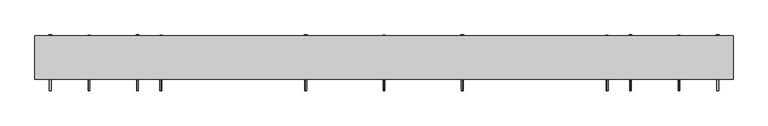
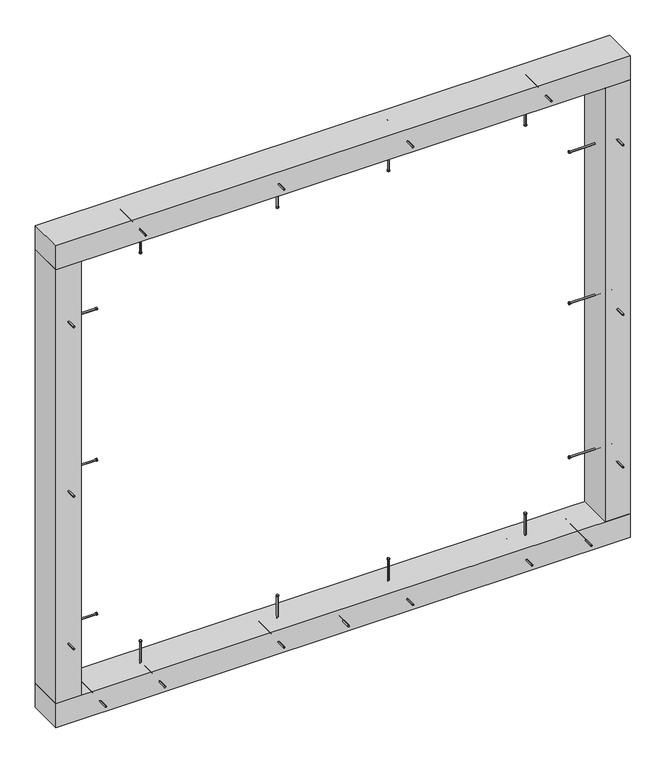
"""IFC4 building model written with IfcOpenShell, lengths in millimetres: proxy geometry."""

from ifc_helpers import new_model, si_unit, point, frame, frame_2d, origin, origin_with_axes, place, context, project, spatial, polyline, circle_curve, trimmed, segment, composite_curve, outline, extrude, source, transform, mapped, element, save


def generic_models_890f9c72(model_context):
    return source(origin(), model_context, "Body", "SweptSolid", [
        extrude(outline(composite_curve([segment(trimmed(circle_curve(frame_2d((-525.0, 200.0)), 2.4700592), [point((-525.0, 197.5299408))], [point((-525.0, 202.4700592))], False, "CARTESIAN"), True, "CONTINUOUS"), segment(trimmed(circle_curve(frame_2d((-525.0, 200.0)), 2.4700592), [point((-525.0, 202.4700592))], [point((-525.0, 197.5299408))], False, "CARTESIAN"), True, "CONTINUOUS")], self_intersect=False)), frame((0.0, 0.0, 1550.0), z_axis=(0.0, 0.0, 1.0), x_axis=(1.0, 0.0, 0.0)), (0.0, 0.0, 1.0), 145.0),
        extrude(outline(composite_curve([segment(trimmed(circle_curve(frame_2d((-525.0, 200.0)), 3.8), [point((-525.0, 196.2))], [point((-525.0, 203.8))], False, "CARTESIAN"), True, "CONTINUOUS"), segment(trimmed(circle_curve(frame_2d((-525.0, 200.0)), 3.8), [point((-525.0, 203.8))], [point((-525.0, 196.2))], False, "CARTESIAN"), True, "CONTINUOUS")], self_intersect=False)), frame((0.0, 0.0, 1547.0), z_axis=(0.0, 0.0, 1.0), x_axis=(1.0, 0.0, 0.0)), (0.0, 0.0, 1.0), 3.0),
        extrude(outline(composite_curve([segment(trimmed(circle_curve(frame_2d((775.0, 200.0)), 2.4700592), [point((775.0, 197.5299408))], [point((775.0, 202.4700592))], False, "CARTESIAN"), True, "CONTINUOUS"), segment(trimmed(circle_curve(frame_2d((775.0, 200.0)), 2.4700592), [point((775.0, 202.4700592))], [point((775.0, 197.5299408))], False, "CARTESIAN"), True, "CONTINUOUS")], self_intersect=False)), frame((0.0, 0.0, 1550.0), z_axis=(0.0, 0.0, 1.0), x_axis=(1.0, 0.0, 0.0)), (0.0, 0.0, 1.0), 145.0),
        extrude(outline(composite_curve([segment(trimmed(circle_curve(frame_2d((775.0, 200.0)), 3.8), [point((775.0, 196.2))], [point((775.0, 203.8))], False, "CARTESIAN"), True, "CONTINUOUS"), segment(trimmed(circle_curve(frame_2d((775.0, 200.0)), 3.8), [point((775.0, 203.8))], [point((775.0, 196.2))], False, "CARTESIAN"), True, "CONTINUOUS")], self_intersect=False)), frame((0.0, 0.0, 1547.0), z_axis=(0.0, 0.0, 1.0), x_axis=(1.0, 0.0, 0.0)), (0.0, 0.0, 1.0), 3.0),
        extrude(outline(composite_curve([segment(trimmed(circle_curve(frame_2d((1677.5, 342.5)), 2.4700592), [point((1679.9700592, 342.5))], [point((1675.0299408, 342.5))], False, "CARTESIAN"), True, "CONTINUOUS"), segment(trimmed(circle_curve(frame_2d((1677.5, 342.5)), 2.4700592), [point((1675.0299408, 342.5))], [point((1679.9700592, 342.5))], False, "CARTESIAN"), True, "CONTINUOUS")], self_intersect=False)), frame((0.0, 108.0, 0.0), z_axis=(0.0, 1.0, 0.0), x_axis=(0.0, 0.0, 1.0)), (0.0, 0.0, 1.0), 152.0),
        extrude(outline(composite_curve([segment(trimmed(circle_curve(frame_2d((1677.5, 342.5)), 3.8), [point((1681.3, 342.5))], [point((1673.7, 342.5))], False, "CARTESIAN"), True, "CONTINUOUS"), segment(trimmed(circle_curve(frame_2d((1677.5, 342.5)), 3.8), [point((1673.7, 342.5))], [point((1681.3, 342.5))], False, "CARTESIAN"), True, "CONTINUOUS")], self_intersect=False)), frame((0.0, 260.0, 0.0), z_axis=(0.0, 1.0, 0.0), x_axis=(0.0, 0.0, 1.0)), (0.0, 0.0, 1.0), 3.0),
        extrude(outline(composite_curve([segment(trimmed(circle_curve(frame_2d((312.5, 200.0)), 2.4700592), [point((312.5, 197.5299408))], [point((312.5, 202.4700592))], False, "CARTESIAN"), True, "CONTINUOUS"), segment(trimmed(circle_curve(frame_2d((312.5, 200.0)), 2.4700592), [point((312.5, 202.4700592))], [point((312.5, 197.5299408))], False, "CARTESIAN"), True, "CONTINUOUS")], self_intersect=False)), frame((0.0, 0.0, 1550.0), z_axis=(0.0, 0.0, 1.0), x_axis=(1.0, 0.0, 0.0)), (0.0, 0.0, 1.0), 145.0),
        extrude(outline(composite_curve([segment(trimmed(circle_curve(frame_2d((312.5, 200.0)), 3.8), [point((312.5, 196.2))], [point((312.5, 203.8))], False, "CARTESIAN"), True, "CONTINUOUS"), segment(trimmed(circle_curve(frame_2d((312.5, 200.0)), 3.8), [point((312.5, 203.8))], [point((312.5, 196.2))], False, "CARTESIAN"), True, "CONTINUOUS")], self_intersect=False)), frame((0.0, 0.0, 1547.0), z_axis=(0.0, 0.0, 1.0), x_axis=(1.0, 0.0, 0.0)), (0.0, 0.0, 1.0), 3.0),
        extrude(outline(composite_curve([segment(trimmed(circle_curve(frame_2d((1677.5, -92.5)), 2.4700592), [point((1679.9700592, -92.5))], [point((1675.0299408, -92.5))], False, "CARTESIAN"), True, "CONTINUOUS"), segment(trimmed(circle_curve(frame_2d((1677.5, -92.5)), 2.4700592), [point((1675.0299408, -92.5))], [point((1679.9700592, -92.5))], False, "CARTESIAN"), True, "CONTINUOUS")], self_intersect=False)), frame((0.0, 108.0, 0.0), z_axis=(0.0, 1.0, 0.0), x_axis=(0.0, 0.0, 1.0)), (0.0, 0.0, 1.0), 152.0),
        extrude(outline(composite_curve([segment(trimmed(circle_curve(frame_2d((1677.5, -92.5)), 3.8), [point((1681.3, -92.5))], [point((1673.7, -92.5))], False, "CARTESIAN"), True, "CONTINUOUS"), segment(trimmed(circle_curve(frame_2d((1677.5, -92.5)), 3.8), [point((1673.7, -92.5))], [point((1681.3, -92.5))], False, "CARTESIAN"), True, "CONTINUOUS")], self_intersect=False)), frame((0.0, 260.0, 0.0), z_axis=(0.0, 1.0, 0.0), x_axis=(0.0, 0.0, 1.0)), (0.0, 0.0, 1.0), 3.0),
        extrude(outline(composite_curve([segment(trimmed(circle_curve(frame_2d((-62.5, 200.0)), 2.4700592), [point((-62.5, 197.5299408))], [point((-62.5, 202.4700592))], False, "CARTESIAN"), True, "CONTINUOUS"), segment(trimmed(circle_curve(frame_2d((-62.5, 200.0)), 2.4700592), [point((-62.5, 202.4700592))], [point((-62.5, 197.5299408))], False, "CARTESIAN"), True, "CONTINUOUS")], self_intersect=False)), frame((0.0, 0.0, 1550.0), z_axis=(0.0, 0.0, 1.0), x_axis=(1.0, 0.0, 0.0)), (0.0, 0.0, 1.0), 145.0),
        extrude(outline(composite_curve([segment(trimmed(circle_curve(frame_2d((-62.5, 200.0)), 3.8), [point((-62.5, 196.2))], [point((-62.5, 203.8))], False, "CARTESIAN"), True, "CONTINUOUS"), segment(trimmed(circle_curve(frame_2d((-62.5, 200.0)), 3.8), [point((-62.5, 203.8))], [point((-62.5, 196.2))], False, "CARTESIAN"), True, "CONTINUOUS")], self_intersect=False)), frame((0.0, 0.0, 1547.0), z_axis=(0.0, 0.0, 1.0), x_axis=(1.0, 0.0, 0.0)), (0.0, 0.0, 1.0), 3.0),
        extrude(outline(composite_curve([segment(trimmed(circle_curve(frame_2d((1677.5, -560.0)), 2.4700592), [point((1679.9700592, -560.0))], [point((1675.0299408, -560.0))], False, "CARTESIAN"), True, "CONTINUOUS"), segment(trimmed(circle_curve(frame_2d((1677.5, -560.0)), 2.4700592), [point((1675.0299408, -560.0))], [point((1679.9700592, -560.0))], False, "CARTESIAN"), True, "CONTINUOUS")], self_intersect=False)), frame((0.0, 108.0, 0.0), z_axis=(0.0, 1.0, 0.0), x_axis=(0.0, 0.0, 1.0)), (0.0, 0.0, 1.0), 152.0),
        extrude(outline(composite_curve([segment(trimmed(circle_curve(frame_2d((1677.5, -560.0)), 3.8), [point((1681.3, -560.0))], [point((1673.7, -560.0))], False, "CARTESIAN"), True, "CONTINUOUS"), segment(trimmed(circle_curve(frame_2d((1677.5, -560.0)), 3.8), [point((1673.7, -560.0))], [point((1681.3, -560.0))], False, "CARTESIAN"), True, "CONTINUOUS")], self_intersect=False)), frame((0.0, 260.0, 0.0), z_axis=(0.0, 1.0, 0.0), x_axis=(0.0, 0.0, 1.0)), (0.0, 0.0, 1.0), 3.0),
        extrude(outline(composite_curve([segment(trimmed(circle_curve(frame_2d((1677.5, 810.0)), 2.4700592), [point((1679.9700592, 810.0))], [point((1675.0299408, 810.0))], False, "CARTESIAN"), True, "CONTINUOUS"), segment(trimmed(circle_curve(frame_2d((1677.5, 810.0)), 2.4700592), [point((1675.0299408, 810.0))], [point((1679.9700592, 810.0))], False, "CARTESIAN"), True, "CONTINUOUS")], self_intersect=False)), frame((0.0, 108.0, 0.0), z_axis=(0.0, 1.0, 0.0), x_axis=(0.0, 0.0, 1.0)), (0.0, 0.0, 1.0), 152.0),
        extrude(outline(composite_curve([segment(trimmed(circle_curve(frame_2d((1677.5, 810.0)), 3.8), [point((1681.3, 810.0))], [point((1673.7, 810.0))], False, "CARTESIAN"), True, "CONTINUOUS"), segment(trimmed(circle_curve(frame_2d((1677.5, 810.0)), 3.8), [point((1673.7, 810.0))], [point((1681.3, 810.0))], False, "CARTESIAN"), True, "CONTINUOUS")], self_intersect=False)), frame((0.0, 260.0, 0.0), z_axis=(0.0, 1.0, 0.0), x_axis=(0.0, 0.0, 1.0)), (0.0, 0.0, 1.0), 3.0),
        extrude(outline(polyline([(1095.0, 140.0), (-845.0, 140.0), (-845.0, 260.0), (1095.0, 260.0), (1095.0, 140.0)])), frame((0.0, 0.0, 1635.0), z_axis=(0.0, 0.0, 1.0), x_axis=(1.0, 0.0, 0.0)), (0.0, 0.0, 1.0), 85.0),
        extrude(outline(composite_curve([segment(trimmed(circle_curve(frame_2d((42.5, -495.0)), 2.4700592), [point((44.9700592, -495.0))], [point((40.0299408, -495.0))], False, "CARTESIAN"), True, "CONTINUOUS"), segment(trimmed(circle_curve(frame_2d((42.5, -495.0)), 2.4700592), [point((40.0299408, -495.0))], [point((44.9700592, -495.0))], False, "CARTESIAN"), True, "CONTINUOUS")], self_intersect=False)), frame((0.0, 108.0, 0.0), z_axis=(0.0, 1.0, 0.0), x_axis=(0.0, 0.0, 1.0)), (0.0, 0.0, 1.0), 152.0),
        extrude(outline(composite_curve([segment(trimmed(circle_curve(frame_2d((42.5, -495.0)), 3.8), [point((46.3, -495.0))], [point((38.7, -495.0))], False, "CARTESIAN"), True, "CONTINUOUS"), segment(trimmed(circle_curve(frame_2d((42.5, -495.0)), 3.8), [point((38.7, -495.0))], [point((46.3, -495.0))], False, "CARTESIAN"), True, "CONTINUOUS")], self_intersect=False)), frame((0.0, 260.0, 0.0), z_axis=(0.0, 1.0, 0.0), x_axis=(0.0, 0.0, 1.0)), (0.0, 0.0, 1.0), 3.0),
        extrude(outline(composite_curve([segment(trimmed(circle_curve(frame_2d((-525.0, 200.0)), 2.4700592), [point((-525.0, 197.5299408))], [point((-525.0, 202.4700592))], False, "CARTESIAN"), True, "CONTINUOUS"), segment(trimmed(circle_curve(frame_2d((-525.0, 200.0)), 2.4700592), [point((-525.0, 202.4700592))], [point((-525.0, 197.5299408))], False, "CARTESIAN"), True, "CONTINUOUS")], self_intersect=False)), frame((0.0, 0.0, 25.0), z_axis=(0.0, 0.0, 1.0), x_axis=(1.0, 0.0, 0.0)), (0.0, 0.0, 1.0), 135.0),
        extrude(outline(composite_curve([segment(trimmed(circle_curve(frame_2d((-525.0, 200.0)), 3.8), [point((-525.0, 196.2))], [point((-525.0, 203.8))], False, "CARTESIAN"), True, "CONTINUOUS"), segment(trimmed(circle_curve(frame_2d((-525.0, 200.0)), 3.8), [point((-525.0, 203.8))], [point((-525.0, 196.2))], False, "CARTESIAN"), True, "CONTINUOUS")], self_intersect=False)), frame((0.0, 0.0, 160.0), z_axis=(0.0, 0.0, 1.0), x_axis=(1.0, 0.0, 0.0)), (0.0, 0.0, 1.0), 3.0),
        extrude(outline(composite_curve([segment(trimmed(circle_curve(frame_2d((42.5, -92.5)), 2.4700592), [point((44.9700592, -92.5))], [point((40.0299408, -92.5))], False, "CARTESIAN"), True, "CONTINUOUS"), segment(trimmed(circle_curve(frame_2d((42.5, -92.5)), 2.4700592), [point((40.0299408, -92.5))], [point((44.9700592, -92.5))], False, "CARTESIAN"), True, "CONTINUOUS")], self_intersect=False)), frame((0.0, 108.0, 0.0), z_axis=(0.0, 1.0, 0.0), x_axis=(0.0, 0.0, 1.0)), (0.0, 0.0, 1.0), 152.0),
        extrude(outline(composite_curve([segment(trimmed(circle_curve(frame_2d((42.5, -92.5)), 3.8), [point((46.3, -92.5))], [point((38.7, -92.5))], False, "CARTESIAN"), True, "CONTINUOUS"), segment(trimmed(circle_curve(frame_2d((42.5, -92.5)), 3.8), [point((38.7, -92.5))], [point((46.3, -92.5))], False, "CARTESIAN"), True, "CONTINUOUS")], self_intersect=False)), frame((0.0, 260.0, 0.0), z_axis=(0.0, 1.0, 0.0), x_axis=(0.0, 0.0, 1.0)), (0.0, 0.0, 1.0), 3.0),
        extrude(outline(composite_curve([segment(trimmed(circle_curve(frame_2d((-62.5, 200.0)), 2.4700592), [point((-62.5, 197.5299408))], [point((-62.5, 202.4700592))], False, "CARTESIAN"), True, "CONTINUOUS"), segment(trimmed(circle_curve(frame_2d((-62.5, 200.0)), 2.4700592), [point((-62.5, 202.4700592))], [point((-62.5, 197.5299408))], False, "CARTESIAN"), True, "CONTINUOUS")], self_intersect=False)), frame((0.0, 0.0, 25.0), z_axis=(0.0, 0.0, 1.0), x_axis=(1.0, 0.0, 0.0)), (0.0, 0.0, 1.0), 135.0),
        extrude(outline(composite_curve([segment(trimmed(circle_curve(frame_2d((-62.5, 200.0)), 3.8), [point((-62.5, 196.2))], [point((-62.5, 203.8))], False, "CARTESIAN"), True, "CONTINUOUS"), segment(trimmed(circle_curve(frame_2d((-62.5, 200.0)), 3.8), [point((-62.5, 203.8))], [point((-62.5, 196.2))], False, "CARTESIAN"), True, "CONTINUOUS")], self_intersect=False)), frame((0.0, 0.0, 160.0), z_axis=(0.0, 0.0, 1.0), x_axis=(1.0, 0.0, 0.0)), (0.0, 0.0, 1.0), 3.0),
        extrude(outline(composite_curve([segment(trimmed(circle_curve(frame_2d((42.5, 745.0)), 2.4700592), [point((44.9700592, 745.0))], [point((40.0299408, 745.0))], False, "CARTESIAN"), True, "CONTINUOUS"), segment(trimmed(circle_curve(frame_2d((42.5, 745.0)), 2.4700592), [point((40.0299408, 745.0))], [point((44.9700592, 745.0))], False, "CARTESIAN"), True, "CONTINUOUS")], self_intersect=False)), frame((0.0, 108.0, 0.0), z_axis=(0.0, 1.0, 0.0), x_axis=(0.0, 0.0, 1.0)), (0.0, 0.0, 1.0), 152.0),
        extrude(outline(composite_curve([segment(trimmed(circle_curve(frame_2d((42.5, 745.0)), 3.8), [point((46.3, 745.0))], [point((38.7, 745.0))], False, "CARTESIAN"), True, "CONTINUOUS"), segment(trimmed(circle_curve(frame_2d((42.5, 745.0)), 3.8), [point((38.7, 745.0))], [point((46.3, 745.0))], False, "CARTESIAN"), True, "CONTINUOUS")], self_intersect=False)), frame((0.0, 260.0, 0.0), z_axis=(0.0, 1.0, 0.0), x_axis=(0.0, 0.0, 1.0)), (0.0, 0.0, 1.0), 3.0),
        extrude(outline(composite_curve([segment(trimmed(circle_curve(frame_2d((775.0, 200.0)), 2.4700592), [point((775.0, 197.5299408))], [point((775.0, 202.4700592))], False, "CARTESIAN"), True, "CONTINUOUS"), segment(trimmed(circle_curve(frame_2d((775.0, 200.0)), 2.4700592), [point((775.0, 202.4700592))], [point((775.0, 197.5299408))], False, "CARTESIAN"), True, "CONTINUOUS")], self_intersect=False)), frame((0.0, 0.0, 25.0), z_axis=(0.0, 0.0, 1.0), x_axis=(1.0, 0.0, 0.0)), (0.0, 0.0, 1.0), 135.0),
        extrude(outline(composite_curve([segment(trimmed(circle_curve(frame_2d((775.0, 200.0)), 3.8), [point((775.0, 196.2))], [point((775.0, 203.8))], False, "CARTESIAN"), True, "CONTINUOUS"), segment(trimmed(circle_curve(frame_2d((775.0, 200.0)), 3.8), [point((775.0, 203.8))], [point((775.0, 196.2))], False, "CARTESIAN"), True, "CONTINUOUS")], self_intersect=False)), frame((0.0, 0.0, 160.0), z_axis=(0.0, 0.0, 1.0), x_axis=(1.0, 0.0, 0.0)), (0.0, 0.0, 1.0), 3.0),
        extrude(outline(composite_curve([segment(trimmed(circle_curve(frame_2d((42.5, 342.5)), 2.4700592), [point((44.9700592, 342.5))], [point((40.0299408, 342.5))], False, "CARTESIAN"), True, "CONTINUOUS"), segment(trimmed(circle_curve(frame_2d((42.5, 342.5)), 2.4700592), [point((40.0299408, 342.5))], [point((44.9700592, 342.5))], False, "CARTESIAN"), True, "CONTINUOUS")], self_intersect=False)), frame((0.0, 108.0, 0.0), z_axis=(0.0, 1.0, 0.0), x_axis=(0.0, 0.0, 1.0)), (0.0, 0.0, 1.0), 152.0),
        extrude(outline(composite_curve([segment(trimmed(circle_curve(frame_2d((42.5, 342.5)), 3.8), [point((46.3, 342.5))], [point((38.7, 342.5))], False, "CARTESIAN"), True, "CONTINUOUS"), segment(trimmed(circle_curve(frame_2d((42.5, 342.5)), 3.8), [point((38.7, 342.5))], [point((46.3, 342.5))], False, "CARTESIAN"), True, "CONTINUOUS")], self_intersect=False)), frame((0.0, 260.0, 0.0), z_axis=(0.0, 1.0, 0.0), x_axis=(0.0, 0.0, 1.0)), (0.0, 0.0, 1.0), 3.0),
        extrude(outline(composite_curve([segment(trimmed(circle_curve(frame_2d((312.5, 200.0)), 2.4700592), [point((312.5, 197.5299408))], [point((312.5, 202.4700592))], False, "CARTESIAN"), True, "CONTINUOUS"), segment(trimmed(circle_curve(frame_2d((312.5, 200.0)), 2.4700592), [point((312.5, 202.4700592))], [point((312.5, 197.5299408))], False, "CARTESIAN"), True, "CONTINUOUS")], self_intersect=False)), frame((0.0, 0.0, 25.0), z_axis=(0.0, 0.0, 1.0), x_axis=(1.0, 0.0, 0.0)), (0.0, 0.0, 1.0), 135.0),
        extrude(outline(composite_curve([segment(trimmed(circle_curve(frame_2d((312.5, 200.0)), 3.8), [point((312.5, 196.2))], [point((312.5, 203.8))], False, "CARTESIAN"), True, "CONTINUOUS"), segment(trimmed(circle_curve(frame_2d((312.5, 200.0)), 3.8), [point((312.5, 203.8))], [point((312.5, 196.2))], False, "CARTESIAN"), True, "CONTINUOUS")], self_intersect=False)), frame((0.0, 0.0, 160.0), z_axis=(0.0, 0.0, 1.0), x_axis=(1.0, 0.0, 0.0)), (0.0, 0.0, 1.0), 3.0),
        extrude(outline(composite_curve([segment(trimmed(circle_curve(frame_2d((42.5, 125.0)), 2.4700592), [point((44.9700592, 125.0))], [point((40.0299408, 125.0))], False, "CARTESIAN"), True, "CONTINUOUS"), segment(trimmed(circle_curve(frame_2d((42.5, 125.0)), 2.4700592), [point((40.0299408, 125.0))], [point((44.9700592, 125.0))], False, "CARTESIAN"), True, "CONTINUOUS")], self_intersect=False)), frame((0.0, 108.0, 0.0), z_axis=(0.0, 1.0, 0.0), x_axis=(0.0, 0.0, 1.0)), (0.0, 0.0, 1.0), 152.0),
        extrude(outline(composite_curve([segment(trimmed(circle_curve(frame_2d((42.5, 125.0)), 3.8), [point((46.3, 125.0))], [point((38.7, 125.0))], False, "CARTESIAN"), True, "CONTINUOUS"), segment(trimmed(circle_curve(frame_2d((42.5, 125.0)), 3.8), [point((38.7, 125.0))], [point((46.3, 125.0))], False, "CARTESIAN"), True, "CONTINUOUS")], self_intersect=False)), frame((0.0, 260.0, 0.0), z_axis=(0.0, 1.0, 0.0), x_axis=(0.0, 0.0, 1.0)), (0.0, 0.0, 1.0), 3.0),
        extrude(outline(composite_curve([segment(trimmed(circle_curve(frame_2d((42.5, -695.0)), 2.4700592), [point((44.9700592, -695.0))], [point((40.0299408, -695.0))], False, "CARTESIAN"), True, "CONTINUOUS"), segment(trimmed(circle_curve(frame_2d((42.5, -695.0)), 2.4700592), [point((40.0299408, -695.0))], [point((44.9700592, -695.0))], False, "CARTESIAN"), True, "CONTINUOUS")], self_intersect=False)), frame((0.0, 108.0, 0.0), z_axis=(0.0, 1.0, 0.0), x_axis=(0.0, 0.0, 1.0)), (0.0, 0.0, 1.0), 152.0),
        extrude(outline(composite_curve([segment(trimmed(circle_curve(frame_2d((42.5, -695.0)), 3.8), [point((46.3, -695.0))], [point((38.7, -695.0))], False, "CARTESIAN"), True, "CONTINUOUS"), segment(trimmed(circle_curve(frame_2d((42.5, -695.0)), 3.8), [point((38.7, -695.0))], [point((46.3, -695.0))], False, "CARTESIAN"), True, "CONTINUOUS")], self_intersect=False)), frame((0.0, 260.0, 0.0), z_axis=(0.0, 1.0, 0.0), x_axis=(0.0, 0.0, 1.0)), (0.0, 0.0, 1.0), 3.0),
        extrude(outline(composite_curve([segment(trimmed(circle_curve(frame_2d((42.5, 945.0)), 2.4700592), [point((44.9700592, 945.0))], [point((40.0299408, 945.0))], False, "CARTESIAN"), True, "CONTINUOUS"), segment(trimmed(circle_curve(frame_2d((42.5, 945.0)), 2.4700592), [point((40.0299408, 945.0))], [point((44.9700592, 945.0))], False, "CARTESIAN"), True, "CONTINUOUS")], self_intersect=False)), frame((0.0, 108.0, 0.0), z_axis=(0.0, 1.0, 0.0), x_axis=(0.0, 0.0, 1.0)), (0.0, 0.0, 1.0), 152.0),
        extrude(outline(composite_curve([segment(trimmed(circle_curve(frame_2d((42.5, 945.0)), 3.8), [point((46.3, 945.0))], [point((38.7, 945.0))], False, "CARTESIAN"), True, "CONTINUOUS"), segment(trimmed(circle_curve(frame_2d((42.5, 945.0)), 3.8), [point((38.7, 945.0))], [point((46.3, 945.0))], False, "CARTESIAN"), True, "CONTINUOUS")], self_intersect=False)), frame((0.0, 260.0, 0.0), z_axis=(0.0, 1.0, 0.0), x_axis=(0.0, 0.0, 1.0)), (0.0, 0.0, 1.0), 3.0),
        extrude(outline(polyline([(1095.0, 140.0), (-845.0, 140.0), (-845.0, 260.0), (1095.0, 260.0), (1095.0, 140.0)])), origin_with_axes(), (0.0, 0.0, 1.0), 85.0),
        extrude(outline(composite_curve([segment(trimmed(circle_curve(frame_2d((200.0, 310.0)), 2.4700592), [point((197.5299408, 310.0))], [point((202.4700592, 310.0))], False, "CARTESIAN"), True, "CONTINUOUS"), segment(trimmed(circle_curve(frame_2d((200.0, 310.0)), 2.4700592), [point((202.4700592, 310.0))], [point((197.5299408, 310.0))], False, "CARTESIAN"), True, "CONTINUOUS")], self_intersect=False)), frame((-820.0, 0.0, 0.0), z_axis=(1.0, 0.0, 0.0), x_axis=(0.0, 1.0, 0.0)), (0.0, 0.0, 1.0), 145.0),
        extrude(outline(composite_curve([segment(trimmed(circle_curve(frame_2d((200.0, 310.0)), 3.8), [point((196.2, 310.0))], [point((203.8, 310.0))], False, "CARTESIAN"), True, "CONTINUOUS"), segment(trimmed(circle_curve(frame_2d((200.0, 310.0)), 3.8), [point((203.8, 310.0))], [point((196.2, 310.0))], False, "CARTESIAN"), True, "CONTINUOUS")], self_intersect=False)), frame((-675.0, 0.0, 0.0), z_axis=(1.0, 0.0, 0.0), x_axis=(0.0, 1.0, 0.0)), (0.0, 0.0, 1.0), 3.0),
        extrude(outline(composite_curve([segment(trimmed(circle_curve(frame_2d((200.0, 1400.0)), 2.4700592), [point((197.5299408, 1400.0))], [point((202.4700592, 1400.0))], False, "CARTESIAN"), True, "CONTINUOUS"), segment(trimmed(circle_curve(frame_2d((200.0, 1400.0)), 2.4700592), [point((202.4700592, 1400.0))], [point((197.5299408, 1400.0))], False, "CARTESIAN"), True, "CONTINUOUS")], self_intersect=False)), frame((-820.0, 0.0, 0.0), z_axis=(1.0, 0.0, 0.0), x_axis=(0.0, 1.0, 0.0)), (0.0, 0.0, 1.0), 145.0),
        extrude(outline(composite_curve([segment(trimmed(circle_curve(frame_2d((200.0, 1400.0)), 3.8), [point((196.2, 1400.0))], [point((203.8, 1400.0))], False, "CARTESIAN"), True, "CONTINUOUS"), segment(trimmed(circle_curve(frame_2d((200.0, 1400.0)), 3.8), [point((203.8, 1400.0))], [point((196.2, 1400.0))], False, "CARTESIAN"), True, "CONTINUOUS")], self_intersect=False)), frame((-675.0, 0.0, 0.0), z_axis=(1.0, 0.0, 0.0), x_axis=(0.0, 1.0, 0.0)), (0.0, 0.0, 1.0), 3.0),
        extrude(outline(composite_curve([segment(trimmed(circle_curve(frame_2d((830.0, -802.5)), 2.4700592), [point((830.0, -804.9700592))], [point((830.0, -800.0299408))], False, "CARTESIAN"), True, "CONTINUOUS"), segment(trimmed(circle_curve(frame_2d((830.0, -802.5)), 2.4700592), [point((830.0, -800.0299408))], [point((830.0, -804.9700592))], False, "CARTESIAN"), True, "CONTINUOUS")], self_intersect=False)), frame((0.0, 108.0, 0.0), z_axis=(0.0, 1.0, 0.0), x_axis=(0.0, 0.0, 1.0)), (0.0, 0.0, 1.0), 152.0),
        extrude(outline(composite_curve([segment(trimmed(circle_curve(frame_2d((830.0, -802.5)), 3.8), [point((830.0, -806.3))], [point((830.0, -798.7))], False, "CARTESIAN"), True, "CONTINUOUS"), segment(trimmed(circle_curve(frame_2d((830.0, -802.5)), 3.8), [point((830.0, -798.7))], [point((830.0, -806.3))], False, "CARTESIAN"), True, "CONTINUOUS")], self_intersect=False)), frame((0.0, 260.0, 0.0), z_axis=(0.0, 1.0, 0.0), x_axis=(0.0, 0.0, 1.0)), (0.0, 0.0, 1.0), 3.0),
        extrude(outline(composite_curve([segment(trimmed(circle_curve(frame_2d((200.0, 860.0)), 2.4700592), [point((197.5299408, 860.0))], [point((202.4700592, 860.0))], False, "CARTESIAN"), True, "CONTINUOUS"), segment(trimmed(circle_curve(frame_2d((200.0, 860.0)), 2.4700592), [point((202.4700592, 860.0))], [point((197.5299408, 860.0))], False, "CARTESIAN"), True, "CONTINUOUS")], self_intersect=False)), frame((-820.0, 0.0, 0.0), z_axis=(1.0, 0.0, 0.0), x_axis=(0.0, 1.0, 0.0)), (0.0, 0.0, 1.0), 145.0),
        extrude(outline(composite_curve([segment(trimmed(circle_curve(frame_2d((200.0, 860.0)), 3.8), [point((196.2, 860.0))], [point((203.8, 860.0))], False, "CARTESIAN"), True, "CONTINUOUS"), segment(trimmed(circle_curve(frame_2d((200.0, 860.0)), 3.8), [point((203.8, 860.0))], [point((196.2, 860.0))], False, "CARTESIAN"), True, "CONTINUOUS")], self_intersect=False)), frame((-675.0, 0.0, 0.0), z_axis=(1.0, 0.0, 0.0), x_axis=(0.0, 1.0, 0.0)), (0.0, 0.0, 1.0), 3.0),
        extrude(outline(composite_curve([segment(trimmed(circle_curve(frame_2d((1435.0, -802.5)), 2.4700592), [point((1435.0, -804.9700592))], [point((1435.0, -800.0299408))], False, "CARTESIAN"), True, "CONTINUOUS"), segment(trimmed(circle_curve(frame_2d((1435.0, -802.5)), 2.4700592), [point((1435.0, -800.0299408))], [point((1435.0, -804.9700592))], False, "CARTESIAN"), True, "CONTINUOUS")], self_intersect=False)), frame((0.0, 108.0, 0.0), z_axis=(0.0, 1.0, 0.0), x_axis=(0.0, 0.0, 1.0)), (0.0, 0.0, 1.0), 152.0),
        extrude(outline(composite_curve([segment(trimmed(circle_curve(frame_2d((1435.0, -802.5)), 3.8), [point((1435.0, -806.3))], [point((1435.0, -798.7))], False, "CARTESIAN"), True, "CONTINUOUS"), segment(trimmed(circle_curve(frame_2d((1435.0, -802.5)), 3.8), [point((1435.0, -798.7))], [point((1435.0, -806.3))], False, "CARTESIAN"), True, "CONTINUOUS")], self_intersect=False)), frame((0.0, 260.0, 0.0), z_axis=(0.0, 1.0, 0.0), x_axis=(0.0, 0.0, 1.0)), (0.0, 0.0, 1.0), 3.0),
        extrude(outline(composite_curve([segment(trimmed(circle_curve(frame_2d((285.0, -802.5)), 2.4700592), [point((285.0, -804.9700592))], [point((285.0, -800.0299408))], False, "CARTESIAN"), True, "CONTINUOUS"), segment(trimmed(circle_curve(frame_2d((285.0, -802.5)), 2.4700592), [point((285.0, -800.0299408))], [point((285.0, -804.9700592))], False, "CARTESIAN"), True, "CONTINUOUS")], self_intersect=False)), frame((0.0, 108.0, 0.0), z_axis=(0.0, 1.0, 0.0), x_axis=(0.0, 0.0, 1.0)), (0.0, 0.0, 1.0), 152.0),
        extrude(outline(composite_curve([segment(trimmed(circle_curve(frame_2d((285.0, -802.5)), 3.8), [point((285.0, -806.3))], [point((285.0, -798.7))], False, "CARTESIAN"), True, "CONTINUOUS"), segment(trimmed(circle_curve(frame_2d((285.0, -802.5)), 3.8), [point((285.0, -798.7))], [point((285.0, -806.3))], False, "CARTESIAN"), True, "CONTINUOUS")], self_intersect=False)), frame((0.0, 260.0, 0.0), z_axis=(0.0, 1.0, 0.0), x_axis=(0.0, 0.0, 1.0)), (0.0, 0.0, 1.0), 3.0),
        extrude(outline(polyline([(-845.0, 140.0), (-845.0, 260.0), (-760.0, 260.0), (-760.0, 140.0), (-845.0, 140.0)])), frame((0.0, 0.0, 85.0), z_axis=(0.0, 0.0, 1.0), x_axis=(1.0, 0.0, 0.0)), (0.0, 0.0, 1.0), 1550.0),
        extrude(outline(composite_curve([segment(trimmed(circle_curve(frame_2d((200.0, 310.0)), 2.4700592), [point((197.5299408, 310.0))], [point((202.4700592, 310.0))], False, "CARTESIAN"), True, "CONTINUOUS"), segment(trimmed(circle_curve(frame_2d((200.0, 310.0)), 2.4700592), [point((202.4700592, 310.0))], [point((197.5299408, 310.0))], False, "CARTESIAN"), True, "CONTINUOUS")], self_intersect=False)), frame((925.0, 0.0, 0.0), z_axis=(1.0, 0.0, 0.0), x_axis=(0.0, 1.0, 0.0)), (0.0, 0.0, 1.0), 145.0),
        extrude(outline(composite_curve([segment(trimmed(circle_curve(frame_2d((200.0, 310.0)), 3.8), [point((196.2, 310.0))], [point((203.8, 310.0))], False, "CARTESIAN"), True, "CONTINUOUS"), segment(trimmed(circle_curve(frame_2d((200.0, 310.0)), 3.8), [point((203.8, 310.0))], [point((196.2, 310.0))], False, "CARTESIAN"), True, "CONTINUOUS")], self_intersect=False)), frame((922.0, 0.0, 0.0), z_axis=(1.0, 0.0, 0.0), x_axis=(0.0, 1.0, 0.0)), (0.0, 0.0, 1.0), 3.0),
        extrude(outline(composite_curve([segment(trimmed(circle_curve(frame_2d((200.0, 1400.0)), 2.4700592), [point((197.5299408, 1400.0))], [point((202.4700592, 1400.0))], False, "CARTESIAN"), True, "CONTINUOUS"), segment(trimmed(circle_curve(frame_2d((200.0, 1400.0)), 2.4700592), [point((202.4700592, 1400.0))], [point((197.5299408, 1400.0))], False, "CARTESIAN"), True, "CONTINUOUS")], self_intersect=False)), frame((925.0, 0.0, 0.0), z_axis=(1.0, 0.0, 0.0), x_axis=(0.0, 1.0, 0.0)), (0.0, 0.0, 1.0), 145.0),
        extrude(outline(composite_curve([segment(trimmed(circle_curve(frame_2d((200.0, 1400.0)), 3.8), [point((196.2, 1400.0))], [point((203.8, 1400.0))], False, "CARTESIAN"), True, "CONTINUOUS"), segment(trimmed(circle_curve(frame_2d((200.0, 1400.0)), 3.8), [point((203.8, 1400.0))], [point((196.2, 1400.0))], False, "CARTESIAN"), True, "CONTINUOUS")], self_intersect=False)), frame((922.0, 0.0, 0.0), z_axis=(1.0, 0.0, 0.0), x_axis=(0.0, 1.0, 0.0)), (0.0, 0.0, 1.0), 3.0),
        extrude(outline(composite_curve([segment(trimmed(circle_curve(frame_2d((830.0, 1052.5)), 2.4700592), [point((830.0, 1054.9700592))], [point((830.0, 1050.0299408))], False, "CARTESIAN"), True, "CONTINUOUS"), segment(trimmed(circle_curve(frame_2d((830.0, 1052.5)), 2.4700592), [point((830.0, 1050.0299408))], [point((830.0, 1054.9700592))], False, "CARTESIAN"), True, "CONTINUOUS")], self_intersect=False)), frame((0.0, 108.0, 0.0), z_axis=(0.0, 1.0, 0.0), x_axis=(0.0, 0.0, 1.0)), (0.0, 0.0, 1.0), 152.0),
        extrude(outline(composite_curve([segment(trimmed(circle_curve(frame_2d((830.0, 1052.5)), 3.8), [point((830.0, 1056.3))], [point((830.0, 1048.7))], False, "CARTESIAN"), True, "CONTINUOUS"), segment(trimmed(circle_curve(frame_2d((830.0, 1052.5)), 3.8), [point((830.0, 1048.7))], [point((830.0, 1056.3))], False, "CARTESIAN"), True, "CONTINUOUS")], self_intersect=False)), frame((0.0, 260.0, 0.0), z_axis=(0.0, 1.0, 0.0), x_axis=(0.0, 0.0, 1.0)), (0.0, 0.0, 1.0), 3.0),
        extrude(outline(composite_curve([segment(trimmed(circle_curve(frame_2d((200.0, 860.0)), 2.4700592), [point((197.5299408, 860.0))], [point((202.4700592, 860.0))], False, "CARTESIAN"), True, "CONTINUOUS"), segment(trimmed(circle_curve(frame_2d((200.0, 860.0)), 2.4700592), [point((202.4700592, 860.0))], [point((197.5299408, 860.0))], False, "CARTESIAN"), True, "CONTINUOUS")], self_intersect=False)), frame((925.0, 0.0, 0.0), z_axis=(1.0, 0.0, 0.0), x_axis=(0.0, 1.0, 0.0)), (0.0, 0.0, 1.0), 145.0),
        extrude(outline(composite_curve([segment(trimmed(circle_curve(frame_2d((200.0, 860.0)), 3.8), [point((196.2, 860.0))], [point((203.8, 860.0))], False, "CARTESIAN"), True, "CONTINUOUS"), segment(trimmed(circle_curve(frame_2d((200.0, 860.0)), 3.8), [point((203.8, 860.0))], [point((196.2, 860.0))], False, "CARTESIAN"), True, "CONTINUOUS")], self_intersect=False)), frame((922.0, 0.0, 0.0), z_axis=(1.0, 0.0, 0.0), x_axis=(0.0, 1.0, 0.0)), (0.0, 0.0, 1.0), 3.0),
        extrude(outline(composite_curve([segment(trimmed(circle_curve(frame_2d((1435.0, 1052.5)), 2.4700592), [point((1435.0, 1054.9700592))], [point((1435.0, 1050.0299408))], False, "CARTESIAN"), True, "CONTINUOUS"), segment(trimmed(circle_curve(frame_2d((1435.0, 1052.5)), 2.4700592), [point((1435.0, 1050.0299408))], [point((1435.0, 1054.9700592))], False, "CARTESIAN"), True, "CONTINUOUS")], self_intersect=False)), frame((0.0, 108.0, 0.0), z_axis=(0.0, 1.0, 0.0), x_axis=(0.0, 0.0, 1.0)), (0.0, 0.0, 1.0), 152.0),
        extrude(outline(composite_curve([segment(trimmed(circle_curve(frame_2d((1435.0, 1052.5)), 3.8), [point((1435.0, 1056.3))], [point((1435.0, 1048.7))], False, "CARTESIAN"), True, "CONTINUOUS"), segment(trimmed(circle_curve(frame_2d((1435.0, 1052.5)), 3.8), [point((1435.0, 1048.7))], [point((1435.0, 1056.3))], False, "CARTESIAN"), True, "CONTINUOUS")], self_intersect=False)), frame((0.0, 260.0, 0.0), z_axis=(0.0, 1.0, 0.0), x_axis=(0.0, 0.0, 1.0)), (0.0, 0.0, 1.0), 3.0),
        extrude(outline(composite_curve([segment(trimmed(circle_curve(frame_2d((285.0, 1052.5)), 2.4700592), [point((285.0, 1054.9700592))], [point((285.0, 1050.0299408))], False, "CARTESIAN"), True, "CONTINUOUS"), segment(trimmed(circle_curve(frame_2d((285.0, 1052.5)), 2.4700592), [point((285.0, 1050.0299408))], [point((285.0, 1054.9700592))], False, "CARTESIAN"), True, "CONTINUOUS")], self_intersect=False)), frame((0.0, 108.0, 0.0), z_axis=(0.0, 1.0, 0.0), x_axis=(0.0, 0.0, 1.0)), (0.0, 0.0, 1.0), 152.0),
        extrude(outline(composite_curve([segment(trimmed(circle_curve(frame_2d((285.0, 1052.5)), 3.8), [point((285.0, 1056.3))], [point((285.0, 1048.7))], False, "CARTESIAN"), True, "CONTINUOUS"), segment(trimmed(circle_curve(frame_2d((285.0, 1052.5)), 3.8), [point((285.0, 1048.7))], [point((285.0, 1056.3))], False, "CARTESIAN"), True, "CONTINUOUS")], self_intersect=False)), frame((0.0, 260.0, 0.0), z_axis=(0.0, 1.0, 0.0), x_axis=(0.0, 0.0, 1.0)), (0.0, 0.0, 1.0), 3.0),
        extrude(outline(polyline([(1095.0, 140.0), (1010.0, 140.0), (1010.0, 260.0), (1095.0, 260.0), (1095.0, 140.0)])), frame((0.0, 0.0, 85.0), z_axis=(0.0, 0.0, 1.0), x_axis=(1.0, 0.0, 0.0)), (0.0, 0.0, 1.0), 1550.0),
    ])


if __name__ == "__main__":
    model = new_model("IFC4")
    model_context = context("Model", 3, world=origin())
    ifc_project = project(units=[si_unit("LENGTHUNIT", "METRE", prefix="MILLI")], contexts=[model_context])
    site = spatial("IfcSite", under=ifc_project)
    building = spatial("IfcBuilding", under=site)
    placement = place(None, origin())
    generic_models_shape = generic_models_890f9c72(model_context)
    element("IfcBuildingElementProxy", 1, Name="Generic Models", at=placement, inside=building, context=model_context, shape_type="MappedRepresentation", body=[
        mapped(generic_models_shape, transform((0.0, 0.0, 0.0), x_axis=(1.0, 0.0, 0.0), y_axis=(0.0, 1.0, 0.0), z_axis=(0.0, 0.0, 1.0))),
    ])
    save(model, "model.ifc")
